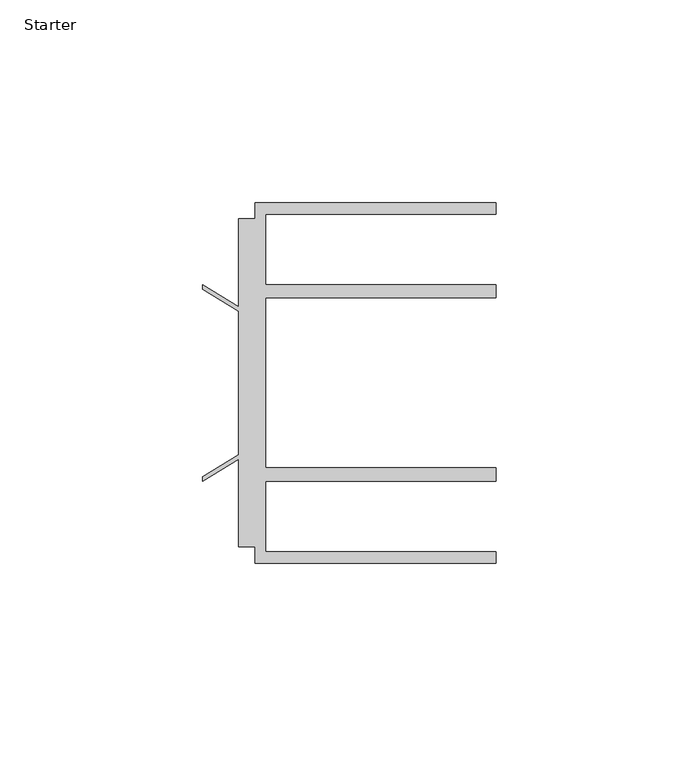
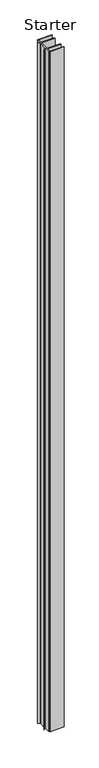
"""IFC4 building model written with IfcOpenShell, lengths in millimetres: furniture geometry, Starter."""

from ifc_helpers import new_model, si_unit, origin, origin_with_axes, place, context, project, spatial, polyline, outline, extrude, source, transform, mapped, element, save


def starter_55fed60d(model_context):
    return source(origin(), model_context, "Body", "SweptSolid", [
        extrude(outline(polyline([(33.9771533, 59.951805), (93.4771531, 59.951805), (93.4771531, 57.1518064), (36.5771534, 57.1518064), (36.5771534, 39.7518058), (93.4771531, 39.7518058), (93.4771531, 36.4518057), (36.5771534, 36.4518057), (36.5771534, -5.4481956), (93.4771531, -5.4481956), (93.4771531, -8.7481957), (36.5771534, -8.7481957), (36.5771534, -26.1481963), (93.4771531, -26.1481963), (93.4771531, -28.948195), (33.9771533, -28.948195), (33.9771533, -24.9481962), (29.9771531, -24.9481962), (29.9771531, -3.3413694), (21.0330919, -8.7481957), (21.0330919, -7.5934952), (29.9771531, -2.1866688), (29.9771531, 33.1902789), (21.0330919, 38.5971052), (21.0330919, 39.7518058), (29.9771531, 34.3449795), (29.9771531, 55.9518063), (33.9771533, 55.9518063), (33.9771533, 59.951805)])), origin_with_axes(), (0.0, 0.0, 1.0), 3048.0),
    ])


if __name__ == "__main__":
    model = new_model("IFC4")
    model_context = context("Model", 3, world=origin())
    ifc_project = project(units=[si_unit("LENGTHUNIT", "METRE", prefix="MILLI")], contexts=[model_context])
    site = spatial("IfcSite", under=ifc_project)
    building = spatial("IfcBuilding", under=site)
    placement = place(None, origin())
    starter_shape = starter_55fed60d(model_context)
    element("IfcFurniture", 1, ObjectType="Starter", at=placement, inside=building, context=model_context, shape_type="MappedRepresentation", body=[
        mapped(starter_shape, transform((0.0, 0.0, 0.0), x_axis=(1.0, 0.0, 0.0), y_axis=(0.0, 1.0, 0.0), z_axis=(0.0, 0.0, 1.0))),
    ])
    save(model, "model.ifc")
